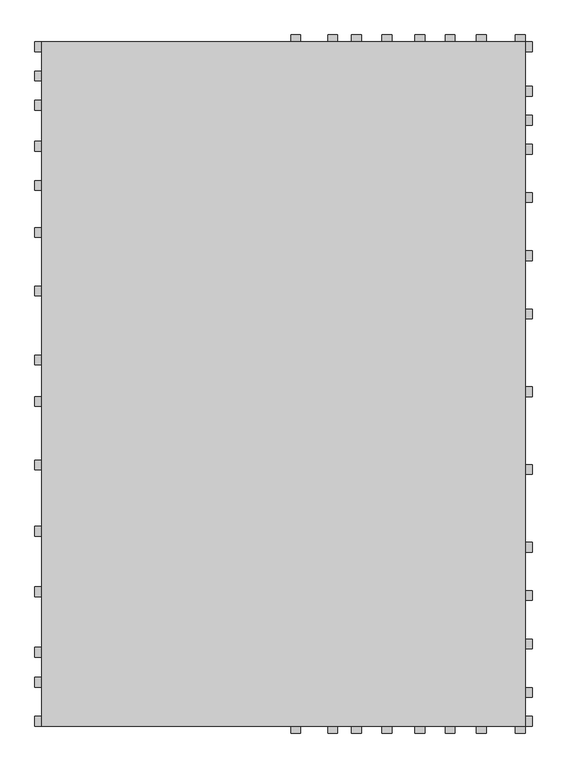
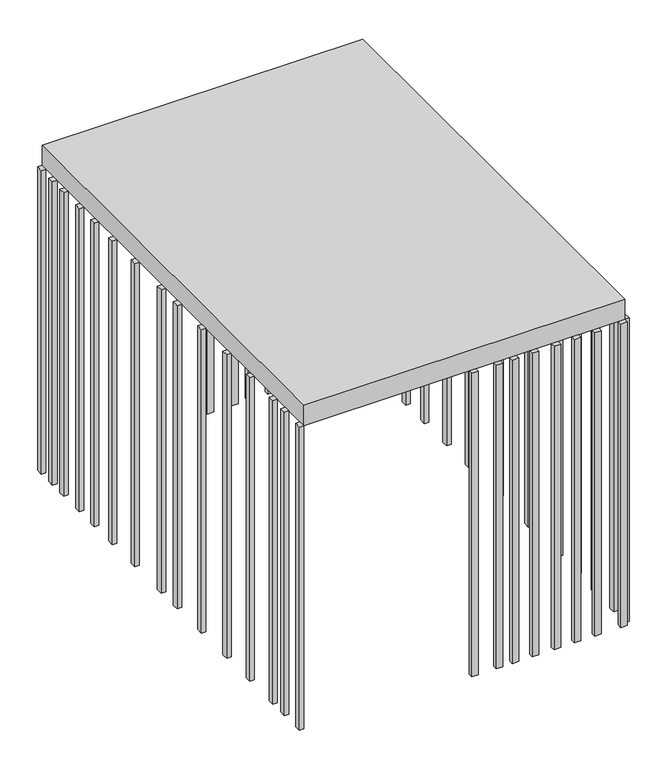
"""IFC4 building model written with IfcOpenShell, lengths in millimetres: proxy geometry."""

from ifc_helpers import new_model, si_unit, frame, origin, origin_with_axes, place, context, project, spatial, polyline, outline, extrude, source, transform, mapped, element, save


def generic_models_847b7c94(model_context):
    return source(origin(), model_context, "Body", "SweptSolid", [
        extrude(outline(polyline([(-5020.0, 0.0), (-5020.0, 100.0), (-4950.0, 100.0), (-4950.0, 0.0), (-5020.0, 0.0)])), frame((0.0, 0.0, -4950.0), z_axis=(0.0, 0.0, 1.0), x_axis=(1.0, 0.0, 0.0)), (0.0, 0.0, 1.0), 4950.0),
        extrude(outline(polyline([(-5020.0, 400.0), (-5020.0, 500.0), (-4950.0, 500.0), (-4950.0, 400.0), (-5020.0, 400.0)])), frame((0.0, 0.0, -4950.0), z_axis=(0.0, 0.0, 1.0), x_axis=(1.0, 0.0, 0.0)), (0.0, 0.0, 1.0), 4950.0),
        extrude(outline(polyline([(-5020.0, 706.7102779), (-5020.0, 806.7102779), (-4950.0, 806.7102779), (-4950.0, 706.7102779), (-5020.0, 706.7102779)])), frame((0.0, 0.0, -4950.0), z_axis=(0.0, 0.0, 1.0), x_axis=(1.0, 0.0, 0.0)), (0.0, 0.0, 1.0), 4950.0),
        extrude(outline(polyline([(-5020.0, 1323.8206399), (-5020.0, 1423.8206399), (-4950.0, 1423.8206399), (-4950.0, 1323.8206399), (-5020.0, 1323.8206399)])), frame((0.0, 0.0, -4950.0), z_axis=(0.0, 0.0, 1.0), x_axis=(1.0, 0.0, 0.0)), (0.0, 0.0, 1.0), 4950.0),
        extrude(outline(polyline([(-5020.0, 1944.2979319), (-5020.0, 2044.2979319), (-4950.0, 2044.2979319), (-4950.0, 1944.2979319), (-5020.0, 1944.2979319)])), frame((0.0, 0.0, -4950.0), z_axis=(0.0, 0.0, 1.0), x_axis=(1.0, 0.0, 0.0)), (0.0, 0.0, 1.0), 4950.0),
        extrude(outline(polyline([(-5020.0, 2621.3422955), (-5020.0, 2721.3422955), (-4950.0, 2721.3422955), (-4950.0, 2621.3422955), (-5020.0, 2621.3422955)])), frame((0.0, 0.0, -4950.0), z_axis=(0.0, 0.0, 1.0), x_axis=(1.0, 0.0, 0.0)), (0.0, 0.0, 1.0), 4950.0),
        extrude(outline(polyline([(-5020.0, 3271.2), (-5020.0, 3371.2), (-4950.0, 3371.2), (-4950.0, 3271.2), (-5020.0, 3271.2)])), frame((0.0, 0.0, -4950.0), z_axis=(0.0, 0.0, 1.0), x_axis=(1.0, 0.0, 0.0)), (0.0, 0.0, 1.0), 4950.0),
        extrude(outline(polyline([(-5020.0, 3694.9391531), (-5020.0, 3794.9391531), (-4950.0, 3794.9391531), (-4950.0, 3694.9391531), (-5020.0, 3694.9391531)])), frame((0.0, 0.0, -4950.0), z_axis=(0.0, 0.0, 1.0), x_axis=(1.0, 0.0, 0.0)), (0.0, 0.0, 1.0), 4950.0),
        extrude(outline(polyline([(-5020.0, 4400.0), (-5020.0, 4500.0), (-4950.0, 4500.0), (-4950.0, 4400.0), (-5020.0, 4400.0)])), frame((0.0, 0.0, -4950.0), z_axis=(0.0, 0.0, 1.0), x_axis=(1.0, 0.0, 0.0)), (0.0, 0.0, 1.0), 4950.0),
        extrude(outline(polyline([(-5020.0, 5000.0), (-5020.0, 5100.0), (-4950.0, 5100.0), (-4950.0, 5000.0), (-5020.0, 5000.0)])), frame((0.0, 0.0, -4950.0), z_axis=(0.0, 0.0, 1.0), x_axis=(1.0, 0.0, 0.0)), (0.0, 0.0, 1.0), 4950.0),
        extrude(outline(polyline([(-5020.0, 5480.0), (-5020.0, 5580.0), (-4950.0, 5580.0), (-4950.0, 5480.0), (-5020.0, 5480.0)])), frame((0.0, 0.0, -4950.0), z_axis=(0.0, 0.0, 1.0), x_axis=(1.0, 0.0, 0.0)), (0.0, 0.0, 1.0), 4950.0),
        extrude(outline(polyline([(-5020.0, 5880.0), (-5020.0, 5980.0), (-4950.0, 5980.0), (-4950.0, 5880.0), (-5020.0, 5880.0)])), frame((0.0, 0.0, -4950.0), z_axis=(0.0, 0.0, 1.0), x_axis=(1.0, 0.0, 0.0)), (0.0, 0.0, 1.0), 4950.0),
        extrude(outline(polyline([(-5020.0, 6300.0), (-5020.0, 6400.0), (-4950.0, 6400.0), (-4950.0, 6300.0), (-5020.0, 6300.0)])), frame((0.0, 0.0, -4950.0), z_axis=(0.0, 0.0, 1.0), x_axis=(1.0, 0.0, 0.0)), (0.0, 0.0, 1.0), 4950.0),
        extrude(outline(polyline([(-5020.0, 6600.0), (-5020.0, 6700.0), (-4950.0, 6700.0), (-4950.0, 6600.0), (-5020.0, 6600.0)])), frame((0.0, 0.0, -4950.0), z_axis=(0.0, 0.0, 1.0), x_axis=(1.0, 0.0, 0.0)), (0.0, 0.0, 1.0), 4950.0),
        extrude(outline(polyline([(-5020.0, 6900.0), (-5020.0, 7000.0), (-4950.0, 7000.0), (-4950.0, 6900.0), (-5020.0, 6900.0)])), frame((0.0, 0.0, -4950.0), z_axis=(0.0, 0.0, 1.0), x_axis=(1.0, 0.0, 0.0)), (0.0, 0.0, 1.0), 4950.0),
        extrude(outline(polyline([(-2400.0, 0.0), (-2300.0, 0.0), (-2300.0, -70.0), (-2400.0, -70.0), (-2400.0, 0.0)])), frame((0.0, 0.0, -4950.0), z_axis=(0.0, 0.0, 1.0), x_axis=(1.0, 0.0, 0.0)), (0.0, 0.0, 1.0), 4950.0),
        extrude(outline(polyline([(-2020.7203316, 0.0), (-1920.7203316, 0.0), (-1920.7203316, -70.0), (-2020.7203316, -70.0), (-2020.7203316, 0.0)])), frame((0.0, 0.0, -4950.0), z_axis=(0.0, 0.0, 1.0), x_axis=(1.0, 0.0, 0.0)), (0.0, 0.0, 1.0), 4950.0),
        extrude(outline(polyline([(-100.0, 0.0), (0.0, 0.0), (0.0, -70.0), (-100.0, -70.0), (-100.0, 0.0)])), frame((0.0, 0.0, -4950.0), z_axis=(0.0, 0.0, 1.0), x_axis=(1.0, 0.0, 0.0)), (0.0, 0.0, 1.0), 4950.0),
        extrude(outline(polyline([(-500.2767301, 0.0), (-400.2767301, 0.0), (-400.2767301, -70.0), (-500.2767301, -70.0), (-500.2767301, 0.0)])), frame((0.0, 0.0, -4950.0), z_axis=(0.0, 0.0, 1.0), x_axis=(1.0, 0.0, 0.0)), (0.0, 0.0, 1.0), 4950.0),
        extrude(outline(polyline([(-1777.1656023, 0.0), (-1677.1656023, 0.0), (-1677.1656023, -70.0), (-1777.1656023, -70.0), (-1777.1656023, 0.0)])), frame((0.0, 0.0, -4950.0), z_axis=(0.0, 0.0, 1.0), x_axis=(1.0, 0.0, 0.0)), (0.0, 0.0, 1.0), 4950.0),
        extrude(outline(polyline([(-1467.4018203, 0.0), (-1367.4018203, 0.0), (-1367.4018203, -70.0), (-1467.4018203, -70.0), (-1467.4018203, 0.0)])), frame((0.0, 0.0, -4950.0), z_axis=(0.0, 0.0, 1.0), x_axis=(1.0, 0.0, 0.0)), (0.0, 0.0, 1.0), 4950.0),
        extrude(outline(polyline([(-1129.2627301, 0.0), (-1029.2627301, 0.0), (-1029.2627301, -70.0), (-1129.2627301, -70.0), (-1129.2627301, 0.0)])), frame((0.0, 0.0, -4950.0), z_axis=(0.0, 0.0, 1.0), x_axis=(1.0, 0.0, 0.0)), (0.0, 0.0, 1.0), 4950.0),
        extrude(outline(polyline([(-818.5582557, 0.0), (-718.5582557, 0.0), (-718.5582557, -70.0), (-818.5582557, -70.0), (-818.5582557, 0.0)])), frame((0.0, 0.0, -4950.0), z_axis=(0.0, 0.0, 1.0), x_axis=(1.0, 0.0, 0.0)), (0.0, 0.0, 1.0), 4950.0),
        extrude(outline(polyline([(-2400.0, 7070.0), (-2300.0, 7070.0), (-2300.0, 7000.0), (-2400.0, 7000.0), (-2400.0, 7070.0)])), frame((0.0, 0.0, -4950.0), z_axis=(0.0, 0.0, 1.0), x_axis=(1.0, 0.0, 0.0)), (0.0, 0.0, 1.0), 4950.0),
        extrude(outline(polyline([(-2020.7203316, 7070.0), (-1920.7203316, 7070.0), (-1920.7203316, 7000.0), (-2020.7203316, 7000.0), (-2020.7203316, 7070.0)])), frame((0.0, 0.0, -4950.0), z_axis=(0.0, 0.0, 1.0), x_axis=(1.0, 0.0, 0.0)), (0.0, 0.0, 1.0), 4950.0),
        extrude(outline(polyline([(-100.0, 7070.0), (0.0, 7070.0), (0.0, 7000.0), (-100.0, 7000.0), (-100.0, 7070.0)])), frame((0.0, 0.0, -4950.0), z_axis=(0.0, 0.0, 1.0), x_axis=(1.0, 0.0, 0.0)), (0.0, 0.0, 1.0), 4950.0),
        extrude(outline(polyline([(-500.2767301, 7070.0), (-400.2767301, 7070.0), (-400.2767301, 7000.0), (-500.2767301, 7000.0), (-500.2767301, 7070.0)])), frame((0.0, 0.0, -4950.0), z_axis=(0.0, 0.0, 1.0), x_axis=(1.0, 0.0, 0.0)), (0.0, 0.0, 1.0), 4950.0),
        extrude(outline(polyline([(-1777.1656023, 7070.0), (-1677.1656023, 7070.0), (-1677.1656023, 7000.0), (-1777.1656023, 7000.0), (-1777.1656023, 7070.0)])), frame((0.0, 0.0, -4950.0), z_axis=(0.0, 0.0, 1.0), x_axis=(1.0, 0.0, 0.0)), (0.0, 0.0, 1.0), 4950.0),
        extrude(outline(polyline([(-1467.4018203, 7070.0), (-1367.4018203, 7070.0), (-1367.4018203, 7000.0), (-1467.4018203, 7000.0), (-1467.4018203, 7070.0)])), frame((0.0, 0.0, -4950.0), z_axis=(0.0, 0.0, 1.0), x_axis=(1.0, 0.0, 0.0)), (0.0, 0.0, 1.0), 4950.0),
        extrude(outline(polyline([(-1129.2627301, 7070.0), (-1029.2627301, 7070.0), (-1029.2627301, 7000.0), (-1129.2627301, 7000.0), (-1129.2627301, 7070.0)])), frame((0.0, 0.0, -4950.0), z_axis=(0.0, 0.0, 1.0), x_axis=(1.0, 0.0, 0.0)), (0.0, 0.0, 1.0), 4950.0),
        extrude(outline(polyline([(-818.5582557, 7070.0), (-718.5582557, 7070.0), (-718.5582557, 7000.0), (-818.5582557, 7000.0), (-818.5582557, 7070.0)])), frame((0.0, 0.0, -4950.0), z_axis=(0.0, 0.0, 1.0), x_axis=(1.0, 0.0, 0.0)), (0.0, 0.0, 1.0), 4950.0),
        extrude(outline(polyline([(70.0, 7000.0), (70.0, 6900.0), (0.0, 6900.0), (0.0, 7000.0), (70.0, 7000.0)])), frame((0.0, 0.0, -4950.0), z_axis=(0.0, 0.0, 1.0), x_axis=(1.0, 0.0, 0.0)), (0.0, 0.0, 1.0), 4950.0),
        extrude(outline(polyline([(70.0, 6542.4), (70.0, 6442.4), (0.0, 6442.4), (0.0, 6542.4), (70.0, 6542.4)])), frame((0.0, 0.0, -4950.0), z_axis=(0.0, 0.0, 1.0), x_axis=(1.0, 0.0, 0.0)), (0.0, 0.0, 1.0), 4950.0),
        extrude(outline(polyline([(70.0, 6247.2), (70.0, 6147.2), (0.0, 6147.2), (0.0, 6247.2), (70.0, 6247.2)])), frame((0.0, 0.0, -4950.0), z_axis=(0.0, 0.0, 1.0), x_axis=(1.0, 0.0, 0.0)), (0.0, 0.0, 1.0), 4950.0),
        extrude(outline(polyline([(70.0, 5952.0), (70.0, 5852.0), (0.0, 5852.0), (0.0, 5952.0), (70.0, 5952.0)])), frame((0.0, 0.0, -4950.0), z_axis=(0.0, 0.0, 1.0), x_axis=(1.0, 0.0, 0.0)), (0.0, 0.0, 1.0), 4950.0),
        extrude(outline(polyline([(70.0, 5456.8), (70.0, 5356.8), (0.0, 5356.8), (0.0, 5456.8), (70.0, 5456.8)])), frame((0.0, 0.0, -4950.0), z_axis=(0.0, 0.0, 1.0), x_axis=(1.0, 0.0, 0.0)), (0.0, 0.0, 1.0), 4950.0),
        extrude(outline(polyline([(70.0, 4861.6), (70.0, 4761.6), (0.0, 4761.6), (0.0, 4861.6), (70.0, 4861.6)])), frame((0.0, 0.0, -4950.0), z_axis=(0.0, 0.0, 1.0), x_axis=(1.0, 0.0, 0.0)), (0.0, 0.0, 1.0), 4950.0),
        extrude(outline(polyline([(70.0, 4266.4), (70.0, 4166.4), (0.0, 4166.4), (0.0, 4266.4), (70.0, 4266.4)])), frame((0.0, 0.0, -4950.0), z_axis=(0.0, 0.0, 1.0), x_axis=(1.0, 0.0, 0.0)), (0.0, 0.0, 1.0), 4950.0),
        extrude(outline(polyline([(70.0, 3471.2), (70.0, 3371.2), (0.0, 3371.2), (0.0, 3471.2), (70.0, 3471.2)])), frame((0.0, 0.0, -4950.0), z_axis=(0.0, 0.0, 1.0), x_axis=(1.0, 0.0, 0.0)), (0.0, 0.0, 1.0), 4950.0),
        extrude(outline(polyline([(70.0, 2676.0), (70.0, 2576.0), (0.0, 2576.0), (0.0, 2676.0), (70.0, 2676.0)])), frame((0.0, 0.0, -4950.0), z_axis=(0.0, 0.0, 1.0), x_axis=(1.0, 0.0, 0.0)), (0.0, 0.0, 1.0), 4950.0),
        extrude(outline(polyline([(70.0, 1880.8), (70.0, 1780.8), (0.0, 1780.8), (0.0, 1880.8), (70.0, 1880.8)])), frame((0.0, 0.0, -4950.0), z_axis=(0.0, 0.0, 1.0), x_axis=(1.0, 0.0, 0.0)), (0.0, 0.0, 1.0), 4950.0),
        extrude(outline(polyline([(70.0, 1385.6), (70.0, 1285.6), (0.0, 1285.6), (0.0, 1385.6), (70.0, 1385.6)])), frame((0.0, 0.0, -4950.0), z_axis=(0.0, 0.0, 1.0), x_axis=(1.0, 0.0, 0.0)), (0.0, 0.0, 1.0), 4950.0),
        extrude(outline(polyline([(70.0, 890.4), (70.0, 790.4), (0.0, 790.4), (0.0, 890.4), (70.0, 890.4)])), frame((0.0, 0.0, -4950.0), z_axis=(0.0, 0.0, 1.0), x_axis=(1.0, 0.0, 0.0)), (0.0, 0.0, 1.0), 4950.0),
        extrude(outline(polyline([(70.0, 395.2), (70.0, 295.2), (0.0, 295.2), (0.0, 395.2), (70.0, 395.2)])), frame((0.0, 0.0, -4950.0), z_axis=(0.0, 0.0, 1.0), x_axis=(1.0, 0.0, 0.0)), (0.0, 0.0, 1.0), 4950.0),
        extrude(outline(polyline([(70.0, 100.0), (70.0, 0.0), (0.0, 0.0), (0.0, 100.0), (70.0, 100.0)])), frame((0.0, 0.0, -4950.0), z_axis=(0.0, 0.0, 1.0), x_axis=(1.0, 0.0, 0.0)), (0.0, 0.0, 1.0), 4950.0),
        extrude(outline(polyline([(-4950.0, 7000.0), (0.0, 7000.0), (0.0, 0.0), (-4950.0, 0.0), (-4950.0, 7000.0)])), origin_with_axes(), (0.0, 0.0, 1.0), 330.0),
    ])


if __name__ == "__main__":
    model = new_model("IFC4")
    model_context = context("Model", 3, world=origin())
    ifc_project = project(units=[si_unit("LENGTHUNIT", "METRE", prefix="MILLI")], contexts=[model_context])
    site = spatial("IfcSite", under=ifc_project)
    building = spatial("IfcBuilding", under=site)
    placement = place(None, origin())
    generic_models_shape = generic_models_847b7c94(model_context)
    element("IfcBuildingElementProxy", 1, Name="Generic Models", at=placement, inside=building, context=model_context, shape_type="MappedRepresentation", body=[
        mapped(generic_models_shape, transform((0.0, 0.0, 0.0), x_axis=(1.0, 0.0, 0.0), y_axis=(0.0, 1.0, 0.0), z_axis=(0.0, 0.0, 1.0))),
    ])
    save(model, "model.ifc")
